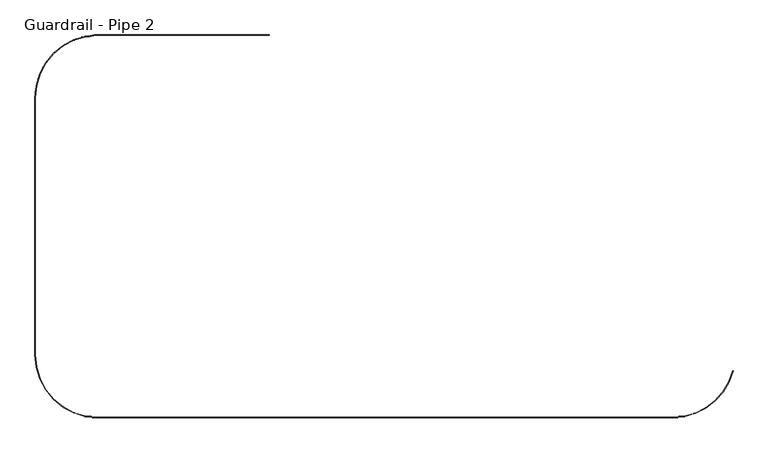
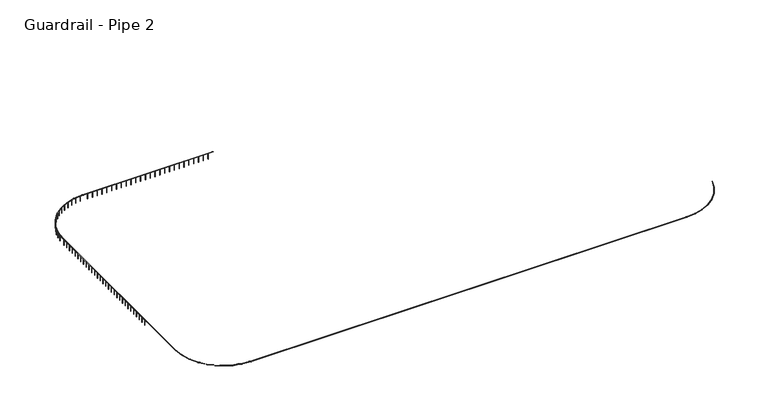
"""IFC4 building model written with IfcOpenShell, lengths in millimetres: railing geometry, Guardrail - Pipe 2."""

from ifc_helpers import new_model, si_unit, point, frame, frame_2d, origin, place, context, project, spatial, circle_curve, ellipse_curve, trimmed, segment, composite_curve, outline, extrude, source, transform, mapped, element, save
from ifc_brep_helpers import plane_surface, cylinder_surface, revolved_surface, advanced_brep


def guardrail_pipe_2_4063eb1f(model_context):
    return source(origin(), model_context, "Body", "SolidModel", [
        advanced_brep(
        [(650133.4254676, -290659.3580223, 5010.15), (655938.6904186, -286177.7852375, 5010.15), (655975.5492437, -286187.4308072, 5010.15), (650133.4254676, -290697.4580223, 5010.15), (588963.8754676, -284658.6080223, 5010.15), (594964.6254677, -290659.3580223, 5010.15), (594964.6254677, -290697.4580223, 5010.15), (588925.7754676, -284658.6080223, 5010.15), (588925.7754676, -259969.8080224, 5010.15), (588963.8754676, -259969.8080224, 5010.15), (594964.6254676, -253969.0580223, 5010.15), (594964.6254676, -253930.9580223, 5010.15), (611423.8254676, -253930.9580223, 5010.15), (611423.8254676, -253969.0580223, 5010.15)],
        [
            (0, 1, circle_curve(frame((650133.4254676, -284658.6080223, 5010.15), z_axis=(0.0, 0.0, 1.0), x_axis=(0.9674232305966814, -0.25316455696222584, 0.0)), 6000.75)),
            (1, 2, circle_curve(frame((655957.1198312, -286182.6080223, 5010.15), z_axis=(-0.25316455696222023, -0.9674232305966829, 0.0), x_axis=(-0.9674232305966829, 0.25316455696222023, 0.0)), 19.05)),
            (2, 3, circle_curve(frame((650133.4254676, -284658.6080223, 5010.15), z_axis=(0.0, 0.0, -1.0), x_axis=(0.9674232305966814, -0.25316455696222584, 0.0)), 6038.85)),
            (3, 0, circle_curve(frame((650133.4254676, -290678.4080223, 5010.15), z_axis=(1.0, 0.0, 0.0), x_axis=(0.0, 1.0, 0.0)), 19.05)),
            (2, 1, circle_curve(frame((655957.1198312, -286182.6080223, 5010.15), z_axis=(-0.25316455696222584, -0.9674232305966814, 0.0), x_axis=(-0.9674232305966814, 0.25316455696222584, 0.0)), 19.05)),
            (0, 3, circle_curve(frame((650133.4254676, -290678.4080223, 5010.15), z_axis=(1.0, 0.0, 0.0), x_axis=(0.0, 1.0, 0.0)), 19.05)),
            (4, 5, circle_curve(frame((594964.6254677, -284658.6080223, 5010.15), z_axis=(0.0, 0.0, 1.0), x_axis=(0.0, -1.0, 0.0)), 6000.75)),
            (5, 6, circle_curve(frame((594964.6254677, -290678.4080223, 5010.15), z_axis=(-1.0, 0.0, 0.0), x_axis=(0.0, 1.0, 0.0)), 19.05)),
            (6, 7, circle_curve(frame((594964.6254677, -284658.6080223, 5010.15), z_axis=(0.0, 0.0, -1.0), x_axis=(0.0, -1.0, 0.0)), 6038.85)),
            (7, 4, circle_curve(frame((588944.8254676, -284658.6080223, 5010.15), z_axis=(0.0, -1.0, 0.0), x_axis=(1.0, 0.0, 0.0)), 19.05)),
            (6, 5, circle_curve(frame((594964.6254677, -290678.4080223, 5010.15), z_axis=(-1.0, 0.0, 0.0), x_axis=(0.0, 1.0, 0.0)), 19.05)),
            (4, 7, circle_curve(frame((588944.8254676, -284658.6080223, 5010.15), z_axis=(0.0, -1.0, 0.0), x_axis=(1.0, 0.0, 0.0)), 19.05)),
            (7, 8),
            (8, 9, circle_curve(frame((588944.8254676, -259969.8080224, 5010.15), z_axis=(0.0, -1.0, 0.0), x_axis=(1.0, 0.0, 0.0)), 19.05)),
            (9, 4),
            (9, 8, circle_curve(frame((588944.8254676, -259969.8080224, 5010.15), z_axis=(0.0, -1.0, 0.0), x_axis=(1.0, 0.0, 0.0)), 19.05)),
            (10, 9, circle_curve(frame((594964.6254676, -259969.8080224, 5010.15), z_axis=(0.0, 0.0, 1.0), x_axis=(-1.0, 0.0, 0.0)), 6000.75)),
            (8, 11, circle_curve(frame((594964.6254676, -259969.8080224, 5010.15), z_axis=(0.0, 0.0, -1.0), x_axis=(-1.0, 0.0, 0.0)), 6038.85)),
            (11, 10, circle_curve(frame((594964.6254676, -253950.0080223, 5010.15), z_axis=(-1.0, 0.0, 0.0), x_axis=(0.0, -1.0, 0.0)), 19.05)),
            (10, 11, circle_curve(frame((594964.6254676, -253950.0080223, 5010.15), z_axis=(-1.0, 0.0, 0.0), x_axis=(0.0, -1.0, 0.0)), 19.05)),
            (12, 13, circle_curve(frame((611423.8254676, -253950.0080223, 5010.15), z_axis=(1.0, 0.0, 0.0), x_axis=(0.0, -1.0, 0.0)), 19.05)),
            (13, 12, circle_curve(frame((611423.8254676, -253950.0080223, 5010.15), z_axis=(1.0, 0.0, 0.0), x_axis=(0.0, -1.0, 0.0)), 19.05)),
            (11, 12),
            (13, 10),
            (3, 6),
            (5, 0),
        ],
        [
            revolved_surface(trimmed(ellipse_curve(frame((655957.1198312, -286182.6080223, 5010.15), z_axis=(0.25316455696222584, 0.9674232305966814, 0.0), x_axis=(-0.9674232305966814, 0.25316455696222584, 0.0)), 19.05, 19.05), [point((655975.5492437, -286187.4308072, 5010.15))], [point((655938.6904186, -286177.7852375, 5010.15))], True, "CARTESIAN"), (650133.4254676, -284658.6080223, 5029.2), (0.0, 0.0, -1.0)),
            revolved_surface(trimmed(ellipse_curve(frame((655957.1198312, -286182.6080223, 5010.15), z_axis=(0.25316455696222584, 0.9674232305966814, 0.0), x_axis=(-0.9674232305966814, 0.25316455696222584, 0.0)), 19.05, 19.05), [point((655938.6904186, -286177.7852375, 5010.15))], [point((655975.5492437, -286187.4308072, 5010.15))], True, "CARTESIAN"), (650133.4254676, -284658.6080223, 5029.2), (0.0, 0.0, -1.0)),
            revolved_surface(trimmed(ellipse_curve(frame((594964.6254677, -290678.4080223, 5010.15), z_axis=(1.0, 0.0, 0.0), x_axis=(0.0, 1.0, 0.0)), 19.05, 19.05), [point((594964.6254677, -290697.4580223, 5010.15))], [point((594964.6254677, -290659.3580223, 5010.15))], True, "CARTESIAN"), (594964.6254677, -284658.6080223, 5029.2), (0.0, 0.0, -1.0)),
            revolved_surface(trimmed(ellipse_curve(frame((594964.6254677, -290678.4080223, 5010.15), z_axis=(1.0, 0.0, 0.0), x_axis=(0.0, 1.0, 0.0)), 19.05, 19.05), [point((594964.6254677, -290659.3580223, 5010.15))], [point((594964.6254677, -290697.4580223, 5010.15))], True, "CARTESIAN"), (594964.6254677, -284658.6080223, 5029.2), (0.0, 0.0, -1.0)),
            cylinder_surface(frame((588944.8254676, -284658.6080223, 5010.15), z_axis=(0.0, -1.0, 0.0), x_axis=(1.0, 0.0, 0.0)), 19.05),
            revolved_surface(trimmed(ellipse_curve(frame((588944.8254676, -259969.8080224, 5010.15), z_axis=(0.0, -1.0, 0.0), x_axis=(1.0, 0.0, 0.0)), 19.05, 19.05), [point((588925.7754676, -259969.8080224, 5010.15))], [point((588963.8754676, -259969.8080224, 5010.15))], True, "CARTESIAN"), (594964.6254676, -259969.8080224, 5029.2), (0.0, 0.0, -1.0)),
            revolved_surface(trimmed(ellipse_curve(frame((588944.8254676, -259969.8080224, 5010.15), z_axis=(0.0, -1.0, 0.0), x_axis=(1.0, 0.0, 0.0)), 19.05, 19.05), [point((588963.8754676, -259969.8080224, 5010.15))], [point((588925.7754676, -259969.8080224, 5010.15))], True, "CARTESIAN"), (594964.6254676, -259969.8080224, 5029.2), (0.0, 0.0, -1.0)),
            plane_surface(frame((611423.8254676, -253950.0080223, 5029.2), z_axis=(1.0, 0.0, 0.0), x_axis=(0.0, 1.0, 0.0))),
            cylinder_surface(frame((594964.6254676, -253950.0080223, 5010.15), z_axis=(-1.0, 0.0, 0.0), x_axis=(0.0, -1.0, 0.0)), 19.05),
            cylinder_surface(frame((650133.4254676, -290678.4080223, 5010.15), z_axis=(1.0, 0.0, 0.0), x_axis=(0.0, 1.0, 0.0)), 19.05),
            plane_surface(frame((655957.1198312, -286182.6080223, 5029.2), z_axis=(0.25316455696222584, 0.9674232305966814, 0.0), x_axis=(0.9674232305966814, -0.25316455696222584, 0.0))),
        ],
        [
            (0, [[1, 2, 3, 4]]),
            (1, [[-3, 5, -1, 6]]),
            (2, [[7, 8, 9, 10]]),
            (3, [[-9, 11, -7, 12]]),
            (4, [[-10, 13, 14, 15]]),
            (4, [[-12, -15, 16, -13]]),
            (5, [[17, -14, 18, 19]]),
            (6, [[-18, -16, -17, 20]]),
            (7, [[21, 22]]),
            (8, [[-19, 23, -22, 24]]),
            (8, [[-20, -24, -21, -23]]),
            (9, [[-4, 25, -8, 26]]),
            (9, [[-6, -26, -11, -25]]),
            (10, [[-2, -5]]),
        ],
    ),
        extrude(outline(composite_curve([segment(trimmed(circle_curve(frame_2d((610814.2254676, -253950.0080223)), 12.7), [point((610814.2254676, -253937.3080223))], [point((610814.2254676, -253962.7080223))], False, "CARTESIAN"), True, "CONTINUOUS"), segment(trimmed(circle_curve(frame_2d((610814.2254676, -253950.0080223)), 12.7), [point((610814.2254676, -253962.7080223))], [point((610814.2254676, -253937.3080223))], False, "CARTESIAN"), True, "CONTINUOUS")], self_intersect=False)), frame((0.0, 0.0, 4267.2), z_axis=(0.0, 0.0, 1.0), x_axis=(1.0, 0.0, 0.0)), (0.0, 0.0, 1.0), 723.9),
        extrude(outline(composite_curve([segment(trimmed(circle_curve(frame_2d((610204.6254676, -253950.0080223)), 12.7), [point((610204.6254676, -253937.3080223))], [point((610204.6254676, -253962.7080223))], False, "CARTESIAN"), True, "CONTINUOUS"), segment(trimmed(circle_curve(frame_2d((610204.6254676, -253950.0080223)), 12.7), [point((610204.6254676, -253962.7080223))], [point((610204.6254676, -253937.3080223))], False, "CARTESIAN"), True, "CONTINUOUS")], self_intersect=False)), frame((0.0, 0.0, 4267.2), z_axis=(0.0, 0.0, 1.0), x_axis=(1.0, 0.0, 0.0)), (0.0, 0.0, 1.0), 723.9),
        extrude(outline(composite_curve([segment(trimmed(circle_curve(frame_2d((609595.0254676, -253950.0080223)), 12.7), [point((609595.0254676, -253937.3080223))], [point((609595.0254676, -253962.7080223))], False, "CARTESIAN"), True, "CONTINUOUS"), segment(trimmed(circle_curve(frame_2d((609595.0254676, -253950.0080223)), 12.7), [point((609595.0254676, -253962.7080223))], [point((609595.0254676, -253937.3080223))], False, "CARTESIAN"), True, "CONTINUOUS")], self_intersect=False)), frame((0.0, 0.0, 4267.2), z_axis=(0.0, 0.0, 1.0), x_axis=(1.0, 0.0, 0.0)), (0.0, 0.0, 1.0), 723.9),
        extrude(outline(composite_curve([segment(trimmed(circle_curve(frame_2d((608985.4254676, -253950.0080223)), 12.7), [point((608985.4254676, -253937.3080223))], [point((608985.4254676, -253962.7080223))], False, "CARTESIAN"), True, "CONTINUOUS"), segment(trimmed(circle_curve(frame_2d((608985.4254676, -253950.0080223)), 12.7), [point((608985.4254676, -253962.7080223))], [point((608985.4254676, -253937.3080223))], False, "CARTESIAN"), True, "CONTINUOUS")], self_intersect=False)), frame((0.0, 0.0, 4267.2), z_axis=(0.0, 0.0, 1.0), x_axis=(1.0, 0.0, 0.0)), (0.0, 0.0, 1.0), 723.9),
        extrude(outline(composite_curve([segment(trimmed(circle_curve(frame_2d((608375.8254676, -253950.0080223)), 12.7), [point((608375.8254676, -253937.3080223))], [point((608375.8254676, -253962.7080223))], False, "CARTESIAN"), True, "CONTINUOUS"), segment(trimmed(circle_curve(frame_2d((608375.8254676, -253950.0080223)), 12.7), [point((608375.8254676, -253962.7080223))], [point((608375.8254676, -253937.3080223))], False, "CARTESIAN"), True, "CONTINUOUS")], self_intersect=False)), frame((0.0, 0.0, 4267.2), z_axis=(0.0, 0.0, 1.0), x_axis=(1.0, 0.0, 0.0)), (0.0, 0.0, 1.0), 723.9),
        extrude(outline(composite_curve([segment(trimmed(circle_curve(frame_2d((607766.2254676, -253950.0080223)), 12.7), [point((607766.2254676, -253937.3080223))], [point((607766.2254676, -253962.7080223))], False, "CARTESIAN"), True, "CONTINUOUS"), segment(trimmed(circle_curve(frame_2d((607766.2254676, -253950.0080223)), 12.7), [point((607766.2254676, -253962.7080223))], [point((607766.2254676, -253937.3080223))], False, "CARTESIAN"), True, "CONTINUOUS")], self_intersect=False)), frame((0.0, 0.0, 4267.2), z_axis=(0.0, 0.0, 1.0), x_axis=(1.0, 0.0, 0.0)), (0.0, 0.0, 1.0), 723.9),
        extrude(outline(composite_curve([segment(trimmed(circle_curve(frame_2d((607156.6254676, -253950.0080223)), 12.7), [point((607156.6254676, -253937.3080223))], [point((607156.6254676, -253962.7080223))], False, "CARTESIAN"), True, "CONTINUOUS"), segment(trimmed(circle_curve(frame_2d((607156.6254676, -253950.0080223)), 12.7), [point((607156.6254676, -253962.7080223))], [point((607156.6254676, -253937.3080223))], False, "CARTESIAN"), True, "CONTINUOUS")], self_intersect=False)), frame((0.0, 0.0, 4267.2), z_axis=(0.0, 0.0, 1.0), x_axis=(1.0, 0.0, 0.0)), (0.0, 0.0, 1.0), 723.9),
        extrude(outline(composite_curve([segment(trimmed(circle_curve(frame_2d((606547.0254676, -253950.0080223)), 12.7), [point((606547.0254676, -253937.3080223))], [point((606547.0254676, -253962.7080223))], False, "CARTESIAN"), True, "CONTINUOUS"), segment(trimmed(circle_curve(frame_2d((606547.0254676, -253950.0080223)), 12.7), [point((606547.0254676, -253962.7080223))], [point((606547.0254676, -253937.3080223))], False, "CARTESIAN"), True, "CONTINUOUS")], self_intersect=False)), frame((0.0, 0.0, 4267.2), z_axis=(0.0, 0.0, 1.0), x_axis=(1.0, 0.0, 0.0)), (0.0, 0.0, 1.0), 723.9),
        extrude(outline(composite_curve([segment(trimmed(circle_curve(frame_2d((605937.4254676, -253950.0080223)), 12.7), [point((605937.4254676, -253937.3080223))], [point((605937.4254676, -253962.7080223))], False, "CARTESIAN"), True, "CONTINUOUS"), segment(trimmed(circle_curve(frame_2d((605937.4254676, -253950.0080223)), 12.7), [point((605937.4254676, -253962.7080223))], [point((605937.4254676, -253937.3080223))], False, "CARTESIAN"), True, "CONTINUOUS")], self_intersect=False)), frame((0.0, 0.0, 4267.2), z_axis=(0.0, 0.0, 1.0), x_axis=(1.0, 0.0, 0.0)), (0.0, 0.0, 1.0), 723.9),
        extrude(outline(composite_curve([segment(trimmed(circle_curve(frame_2d((605327.8254676, -253950.0080223)), 12.7), [point((605327.8254676, -253937.3080223))], [point((605327.8254676, -253962.7080223))], False, "CARTESIAN"), True, "CONTINUOUS"), segment(trimmed(circle_curve(frame_2d((605327.8254676, -253950.0080223)), 12.7), [point((605327.8254676, -253962.7080223))], [point((605327.8254676, -253937.3080223))], False, "CARTESIAN"), True, "CONTINUOUS")], self_intersect=False)), frame((0.0, 0.0, 4267.2), z_axis=(0.0, 0.0, 1.0), x_axis=(1.0, 0.0, 0.0)), (0.0, 0.0, 1.0), 723.9),
        extrude(outline(composite_curve([segment(trimmed(circle_curve(frame_2d((604718.2254676, -253950.0080223)), 12.7), [point((604718.2254676, -253937.3080223))], [point((604718.2254676, -253962.7080223))], False, "CARTESIAN"), True, "CONTINUOUS"), segment(trimmed(circle_curve(frame_2d((604718.2254676, -253950.0080223)), 12.7), [point((604718.2254676, -253962.7080223))], [point((604718.2254676, -253937.3080223))], False, "CARTESIAN"), True, "CONTINUOUS")], self_intersect=False)), frame((0.0, 0.0, 4267.2), z_axis=(0.0, 0.0, 1.0), x_axis=(1.0, 0.0, 0.0)), (0.0, 0.0, 1.0), 723.9),
        extrude(outline(composite_curve([segment(trimmed(circle_curve(frame_2d((604108.6254676, -253950.0080223)), 12.7), [point((604108.6254676, -253937.3080223))], [point((604108.6254676, -253962.7080223))], False, "CARTESIAN"), True, "CONTINUOUS"), segment(trimmed(circle_curve(frame_2d((604108.6254676, -253950.0080223)), 12.7), [point((604108.6254676, -253962.7080223))], [point((604108.6254676, -253937.3080223))], False, "CARTESIAN"), True, "CONTINUOUS")], self_intersect=False)), frame((0.0, 0.0, 4267.2), z_axis=(0.0, 0.0, 1.0), x_axis=(1.0, 0.0, 0.0)), (0.0, 0.0, 1.0), 723.9),
        extrude(outline(composite_curve([segment(trimmed(circle_curve(frame_2d((603499.0254676, -253950.0080223)), 12.7), [point((603499.0254676, -253937.3080223))], [point((603499.0254676, -253962.7080223))], False, "CARTESIAN"), True, "CONTINUOUS"), segment(trimmed(circle_curve(frame_2d((603499.0254676, -253950.0080223)), 12.7), [point((603499.0254676, -253962.7080223))], [point((603499.0254676, -253937.3080223))], False, "CARTESIAN"), True, "CONTINUOUS")], self_intersect=False)), frame((0.0, 0.0, 4267.2), z_axis=(0.0, 0.0, 1.0), x_axis=(1.0, 0.0, 0.0)), (0.0, 0.0, 1.0), 723.9),
        extrude(outline(composite_curve([segment(trimmed(circle_curve(frame_2d((602889.4254676, -253950.0080223)), 12.7), [point((602889.4254676, -253937.3080223))], [point((602889.4254676, -253962.7080223))], False, "CARTESIAN"), True, "CONTINUOUS"), segment(trimmed(circle_curve(frame_2d((602889.4254676, -253950.0080223)), 12.7), [point((602889.4254676, -253962.7080223))], [point((602889.4254676, -253937.3080223))], False, "CARTESIAN"), True, "CONTINUOUS")], self_intersect=False)), frame((0.0, 0.0, 4267.2), z_axis=(0.0, 0.0, 1.0), x_axis=(1.0, 0.0, 0.0)), (0.0, 0.0, 1.0), 723.9),
        extrude(outline(composite_curve([segment(trimmed(circle_curve(frame_2d((602279.8254676, -253950.0080223)), 12.7), [point((602279.8254676, -253937.3080223))], [point((602279.8254676, -253962.7080223))], False, "CARTESIAN"), True, "CONTINUOUS"), segment(trimmed(circle_curve(frame_2d((602279.8254676, -253950.0080223)), 12.7), [point((602279.8254676, -253962.7080223))], [point((602279.8254676, -253937.3080223))], False, "CARTESIAN"), True, "CONTINUOUS")], self_intersect=False)), frame((0.0, 0.0, 4267.2), z_axis=(0.0, 0.0, 1.0), x_axis=(1.0, 0.0, 0.0)), (0.0, 0.0, 1.0), 723.9),
        extrude(outline(composite_curve([segment(trimmed(circle_curve(frame_2d((601670.2254676, -253950.0080223)), 12.7), [point((601670.2254676, -253937.3080223))], [point((601670.2254676, -253962.7080223))], False, "CARTESIAN"), True, "CONTINUOUS"), segment(trimmed(circle_curve(frame_2d((601670.2254676, -253950.0080223)), 12.7), [point((601670.2254676, -253962.7080223))], [point((601670.2254676, -253937.3080223))], False, "CARTESIAN"), True, "CONTINUOUS")], self_intersect=False)), frame((0.0, 0.0, 4267.2), z_axis=(0.0, 0.0, 1.0), x_axis=(1.0, 0.0, 0.0)), (0.0, 0.0, 1.0), 723.9),
        extrude(outline(composite_curve([segment(trimmed(circle_curve(frame_2d((601060.6254676, -253950.0080223)), 12.7), [point((601060.6254676, -253937.3080223))], [point((601060.6254676, -253962.7080223))], False, "CARTESIAN"), True, "CONTINUOUS"), segment(trimmed(circle_curve(frame_2d((601060.6254676, -253950.0080223)), 12.7), [point((601060.6254676, -253962.7080223))], [point((601060.6254676, -253937.3080223))], False, "CARTESIAN"), True, "CONTINUOUS")], self_intersect=False)), frame((0.0, 0.0, 4267.2), z_axis=(0.0, 0.0, 1.0), x_axis=(1.0, 0.0, 0.0)), (0.0, 0.0, 1.0), 723.9),
        extrude(outline(composite_curve([segment(trimmed(circle_curve(frame_2d((600451.0254676, -253950.0080223)), 12.7), [point((600451.0254676, -253937.3080223))], [point((600451.0254676, -253962.7080223))], False, "CARTESIAN"), True, "CONTINUOUS"), segment(trimmed(circle_curve(frame_2d((600451.0254676, -253950.0080223)), 12.7), [point((600451.0254676, -253962.7080223))], [point((600451.0254676, -253937.3080223))], False, "CARTESIAN"), True, "CONTINUOUS")], self_intersect=False)), frame((0.0, 0.0, 4267.2), z_axis=(0.0, 0.0, 1.0), x_axis=(1.0, 0.0, 0.0)), (0.0, 0.0, 1.0), 723.9),
        extrude(outline(composite_curve([segment(trimmed(circle_curve(frame_2d((599841.4254676, -253950.0080223)), 12.7), [point((599841.4254676, -253937.3080223))], [point((599841.4254676, -253962.7080223))], False, "CARTESIAN"), True, "CONTINUOUS"), segment(trimmed(circle_curve(frame_2d((599841.4254676, -253950.0080223)), 12.7), [point((599841.4254676, -253962.7080223))], [point((599841.4254676, -253937.3080223))], False, "CARTESIAN"), True, "CONTINUOUS")], self_intersect=False)), frame((0.0, 0.0, 4267.2), z_axis=(0.0, 0.0, 1.0), x_axis=(1.0, 0.0, 0.0)), (0.0, 0.0, 1.0), 723.9),
        extrude(outline(composite_curve([segment(trimmed(circle_curve(frame_2d((599231.8254676, -253950.0080223)), 12.7), [point((599231.8254676, -253937.3080223))], [point((599231.8254676, -253962.7080223))], False, "CARTESIAN"), True, "CONTINUOUS"), segment(trimmed(circle_curve(frame_2d((599231.8254676, -253950.0080223)), 12.7), [point((599231.8254676, -253962.7080223))], [point((599231.8254676, -253937.3080223))], False, "CARTESIAN"), True, "CONTINUOUS")], self_intersect=False)), frame((0.0, 0.0, 4267.2), z_axis=(0.0, 0.0, 1.0), x_axis=(1.0, 0.0, 0.0)), (0.0, 0.0, 1.0), 723.9),
        extrude(outline(composite_curve([segment(trimmed(circle_curve(frame_2d((598622.2254676, -253950.0080223)), 12.7), [point((598622.2254676, -253937.3080223))], [point((598622.2254676, -253962.7080223))], False, "CARTESIAN"), True, "CONTINUOUS"), segment(trimmed(circle_curve(frame_2d((598622.2254676, -253950.0080223)), 12.7), [point((598622.2254676, -253962.7080223))], [point((598622.2254676, -253937.3080223))], False, "CARTESIAN"), True, "CONTINUOUS")], self_intersect=False)), frame((0.0, 0.0, 4267.2), z_axis=(0.0, 0.0, 1.0), x_axis=(1.0, 0.0, 0.0)), (0.0, 0.0, 1.0), 723.9),
        extrude(outline(composite_curve([segment(trimmed(circle_curve(frame_2d((598012.6254676, -253950.0080223)), 12.7), [point((598012.6254676, -253937.3080223))], [point((598012.6254676, -253962.7080223))], False, "CARTESIAN"), True, "CONTINUOUS"), segment(trimmed(circle_curve(frame_2d((598012.6254676, -253950.0080223)), 12.7), [point((598012.6254676, -253962.7080223))], [point((598012.6254676, -253937.3080223))], False, "CARTESIAN"), True, "CONTINUOUS")], self_intersect=False)), frame((0.0, 0.0, 4267.2), z_axis=(0.0, 0.0, 1.0), x_axis=(1.0, 0.0, 0.0)), (0.0, 0.0, 1.0), 723.9),
        extrude(outline(composite_curve([segment(trimmed(circle_curve(frame_2d((597403.0254676, -253950.0080223)), 12.7), [point((597403.0254676, -253937.3080223))], [point((597403.0254676, -253962.7080223))], False, "CARTESIAN"), True, "CONTINUOUS"), segment(trimmed(circle_curve(frame_2d((597403.0254676, -253950.0080223)), 12.7), [point((597403.0254676, -253962.7080223))], [point((597403.0254676, -253937.3080223))], False, "CARTESIAN"), True, "CONTINUOUS")], self_intersect=False)), frame((0.0, 0.0, 4267.2), z_axis=(0.0, 0.0, 1.0), x_axis=(1.0, 0.0, 0.0)), (0.0, 0.0, 1.0), 723.9),
        extrude(outline(composite_curve([segment(trimmed(circle_curve(frame_2d((596793.4254676, -253950.0080223)), 12.7), [point((596793.4254676, -253937.3080223))], [point((596793.4254676, -253962.7080223))], False, "CARTESIAN"), True, "CONTINUOUS"), segment(trimmed(circle_curve(frame_2d((596793.4254676, -253950.0080223)), 12.7), [point((596793.4254676, -253962.7080223))], [point((596793.4254676, -253937.3080223))], False, "CARTESIAN"), True, "CONTINUOUS")], self_intersect=False)), frame((0.0, 0.0, 4267.2), z_axis=(0.0, 0.0, 1.0), x_axis=(1.0, 0.0, 0.0)), (0.0, 0.0, 1.0), 723.9),
        extrude(outline(composite_curve([segment(trimmed(circle_curve(frame_2d((596183.8254676, -253950.0080223)), 12.7), [point((596183.8254676, -253937.3080223))], [point((596183.8254676, -253962.7080223))], False, "CARTESIAN"), True, "CONTINUOUS"), segment(trimmed(circle_curve(frame_2d((596183.8254676, -253950.0080223)), 12.7), [point((596183.8254676, -253962.7080223))], [point((596183.8254676, -253937.3080223))], False, "CARTESIAN"), True, "CONTINUOUS")], self_intersect=False)), frame((0.0, 0.0, 4267.2), z_axis=(0.0, 0.0, 1.0), x_axis=(1.0, 0.0, 0.0)), (0.0, 0.0, 1.0), 723.9),
        extrude(outline(composite_curve([segment(trimmed(circle_curve(frame_2d((595574.2254676, -253950.0080223)), 12.7), [point((595574.2254676, -253937.3080223))], [point((595574.2254676, -253962.7080223))], False, "CARTESIAN"), True, "CONTINUOUS"), segment(trimmed(circle_curve(frame_2d((595574.2254676, -253950.0080223)), 12.7), [point((595574.2254676, -253962.7080223))], [point((595574.2254676, -253937.3080223))], False, "CARTESIAN"), True, "CONTINUOUS")], self_intersect=False)), frame((0.0, 0.0, 4267.2), z_axis=(0.0, 0.0, 1.0), x_axis=(1.0, 0.0, 0.0)), (0.0, 0.0, 1.0), 723.9),
        extrude(outline(composite_curve([segment(trimmed(circle_curve(frame_2d((594652.8852439, -253958.0853014)), 12.7), [point((594652.2275641, -253945.4023421))], [point((594653.5429237, -253970.7682608))], False, "CARTESIAN"), True, "CONTINUOUS"), segment(trimmed(circle_curve(frame_2d((594652.8852439, -253958.0853014)), 12.7), [point((594653.5429237, -253970.7682608))], [point((594652.2275641, -253945.4023421))], False, "CARTESIAN"), True, "CONTINUOUS")], self_intersect=False)), frame((0.0, 0.0, 4267.2), z_axis=(0.0, 0.0, 1.0), x_axis=(1.0, 0.0, 0.0)), (0.0, 0.0, 1.0), 723.9),
        extrude(outline(composite_curve([segment(trimmed(circle_curve(frame_2d((594046.7401954, -254020.3980796)), 12.7), [point((594044.8037286, -254007.8465818))], [point((594048.6766622, -254032.9495774))], False, "CARTESIAN"), True, "CONTINUOUS"), segment(trimmed(circle_curve(frame_2d((594046.7401954, -254020.3980796)), 12.7), [point((594048.6766622, -254032.9495774))], [point((594044.8037286, -254007.8465818))], False, "CARTESIAN"), True, "CONTINUOUS")], self_intersect=False)), frame((0.0, 0.0, 4267.2), z_axis=(0.0, 0.0, 1.0), x_axis=(1.0, 0.0, 0.0)), (0.0, 0.0, 1.0), 723.9),
        extrude(outline(composite_curve([segment(trimmed(circle_curve(frame_2d((593449.9998053, -254143.6685507)), 12.7), [point((593446.8043925, -254131.3771172))], [point((593453.1952181, -254155.9599842))], False, "CARTESIAN"), True, "CONTINUOUS"), segment(trimmed(circle_curve(frame_2d((593449.9998053, -254143.6685507)), 12.7), [point((593453.1952181, -254155.9599842))], [point((593446.8043925, -254131.3771172))], False, "CARTESIAN"), True, "CONTINUOUS")], self_intersect=False)), frame((0.0, 0.0, 4267.2), z_axis=(0.0, 0.0, 1.0), x_axis=(1.0, 0.0, 0.0)), (0.0, 0.0, 1.0), 723.9),
        extrude(outline(composite_curve([segment(trimmed(circle_curve(frame_2d((592868.7782796, -254326.6336847)), 12.7), [point((592864.3566611, -254314.7282537))], [point((592873.1998982, -254338.5391158))], False, "CARTESIAN"), True, "CONTINUOUS"), segment(trimmed(circle_curve(frame_2d((592868.7782796, -254326.6336847)), 12.7), [point((592873.1998982, -254338.5391158))], [point((592864.3566611, -254314.7282537))], False, "CARTESIAN"), True, "CONTINUOUS")], self_intersect=False)), frame((0.0, 0.0, 4267.2), z_axis=(0.0, 0.0, 1.0), x_axis=(1.0, 0.0, 0.0)), (0.0, 0.0, 1.0), 723.9),
        extrude(outline(composite_curve([segment(trimmed(circle_curve(frame_2d((592309.0308179, -254567.4188198)), 12.7), [point((592303.4282975, -254556.0213742))], [point((592314.6333382, -254578.8162653))], False, "CARTESIAN"), True, "CONTINUOUS"), segment(trimmed(circle_curve(frame_2d((592309.0308179, -254567.4188198)), 12.7), [point((592314.6333382, -254578.8162653))], [point((592303.4282975, -254556.0213742))], False, "CARTESIAN"), True, "CONTINUOUS")], self_intersect=False)), frame((0.0, 0.0, 4267.2), z_axis=(0.0, 0.0, 1.0), x_axis=(1.0, 0.0, 0.0)), (0.0, 0.0, 1.0), 723.9),
        extrude(outline(composite_curve([segment(trimmed(circle_curve(frame_2d((591776.4925962, -254863.5568697)), 12.7), [point((591769.7665774, -254852.7841879))], [point((591783.2186149, -254874.3295515))], False, "CARTESIAN"), True, "CONTINUOUS"), segment(trimmed(circle_curve(frame_2d((591776.4925962, -254863.5568697)), 12.7), [point((591783.2186149, -254874.3295515))], [point((591769.7665774, -254852.7841879))], False, "CARTESIAN"), True, "CONTINUOUS")], self_intersect=False)), frame((0.0, 0.0, 4267.2), z_axis=(0.0, 0.0, 1.0), x_axis=(1.0, 0.0, 0.0)), (0.0, 0.0, 1.0), 723.9),
        extrude(outline(composite_curve([segment(trimmed(circle_curve(frame_2d((591276.6200046, -255212.0136022)), 12.7), [point((591268.8394024, -255201.9760612))], [point((591284.4006068, -255222.0511431))], False, "CARTESIAN"), True, "CONTINUOUS"), segment(trimmed(circle_curve(frame_2d((591276.6200046, -255212.0136022)), 12.7), [point((591284.4006068, -255222.0511431))], [point((591268.8394024, -255201.9760612))], False, "CARTESIAN"), True, "CONTINUOUS")], self_intersect=False)), frame((0.0, 0.0, 4267.2), z_axis=(0.0, 0.0, 1.0), x_axis=(1.0, 0.0, 0.0)), (0.0, 0.0, 1.0), 723.9),
        extrude(outline(composite_curve([segment(trimmed(circle_curve(frame_2d((590814.534741, -255609.2187272)), 12.7), [point((590805.7792753, -255600.0191717))], [point((590823.2902067, -255618.4182827))], False, "CARTESIAN"), True, "CONTINUOUS"), segment(trimmed(circle_curve(frame_2d((590814.534741, -255609.2187272)), 12.7), [point((590823.2902067, -255618.4182827))], [point((590805.7792753, -255600.0191717))], False, "CARTESIAN"), True, "CONTINUOUS")], self_intersect=False)), frame((0.0, 0.0, 4267.2), z_axis=(0.0, 0.0, 1.0), x_axis=(1.0, 0.0, 0.0)), (0.0, 0.0, 1.0), 723.9),
        extrude(outline(composite_curve([segment(trimmed(circle_curve(frame_2d((590394.971334, -256051.1024785)), 12.7), [point((590385.3307135, -256042.8351673))], [point((590404.6119545, -256059.3697898))], False, "CARTESIAN"), True, "CONTINUOUS"), segment(trimmed(circle_curve(frame_2d((590394.971334, -256051.1024785)), 12.7), [point((590404.6119545, -256059.3697898))], [point((590385.3307135, -256042.8351673))], False, "CARTESIAN"), True, "CONTINUOUS")], self_intersect=False)), frame((0.0, 0.0, 4267.2), z_axis=(0.0, 0.0, 1.0), x_axis=(1.0, 0.0, 0.0)), (0.0, 0.0, 1.0), 723.9),
        extrude(outline(composite_curve([segment(trimmed(circle_curve(frame_2d((590022.228633, -256533.1373124)), 12.7), [point((590011.8016354, -256525.8869522))], [point((590032.6556305, -256540.3876725))], False, "CARTESIAN"), True, "CONTINUOUS"), segment(trimmed(circle_curve(frame_2d((590022.228633, -256533.1373124)), 12.7), [point((590032.6556305, -256540.3876725))], [point((590011.8016354, -256525.8869522))], False, "CARTESIAN"), True, "CONTINUOUS")], self_intersect=False)), frame((0.0, 0.0, 4267.2), z_axis=(0.0, 0.0, 1.0), x_axis=(1.0, 0.0, 0.0)), (0.0, 0.0, 1.0), 723.9),
        extrude(outline(composite_curve([segment(trimmed(circle_curve(frame_2d((589700.1257621, -257050.3842967)), 12.7), [point((589689.0192226, -257044.2251749))], [point((589711.2323015, -257056.5434184))], False, "CARTESIAN"), True, "CONTINUOUS"), segment(trimmed(circle_curve(frame_2d((589700.1257621, -257050.3842967)), 12.7), [point((589711.2323015, -257056.5434184))], [point((589689.0192226, -257044.2251749))], False, "CARTESIAN"), True, "CONTINUOUS")], self_intersect=False)), frame((0.0, 0.0, 4267.2), z_axis=(0.0, 0.0, 1.0), x_axis=(1.0, 0.0, 0.0)), (0.0, 0.0, 1.0), 723.9),
        extrude(outline(composite_curve([segment(trimmed(circle_curve(frame_2d((589431.9629894, -257597.5437154)), 12.7), [point((589420.2907057, -257592.5389384))], [point((589443.6352731, -257602.5484924))], False, "CARTESIAN"), True, "CONTINUOUS"), segment(trimmed(circle_curve(frame_2d((589431.9629894, -257597.5437154)), 12.7), [point((589443.6352731, -257602.5484924))], [point((589420.2907057, -257592.5389384))], False, "CARTESIAN"), True, "CONTINUOUS")], self_intersect=False)), frame((0.0, 0.0, 4267.2), z_axis=(0.0, 0.0, 1.0), x_axis=(1.0, 0.0, 0.0)), (0.0, 0.0, 1.0), 723.9),
        extrude(outline(composite_curve([segment(trimmed(circle_curve(frame_2d((589220.4879124, -258169.0093697)), 12.7), [point((589208.3694788, -258165.2102164))], [point((589232.6063461, -258172.808523))], False, "CARTESIAN"), True, "CONTINUOUS"), segment(trimmed(circle_curve(frame_2d((589220.4879124, -258169.0093697)), 12.7), [point((589232.6063461, -258172.808523))], [point((589208.3694788, -258165.2102164))], False, "CARTESIAN"), True, "CONTINUOUS")], self_intersect=False)), frame((0.0, 0.0, 4267.2), z_axis=(0.0, 0.0, 1.0), x_axis=(1.0, 0.0, 0.0)), (0.0, 0.0, 1.0), 723.9),
        extrude(outline(composite_curve([segment(trimmed(circle_curve(frame_2d((589067.8673063, -258758.9260187)), 12.7), [point((589055.4268882, -258756.3714153))], [point((589080.3077243, -258761.4806221))], False, "CARTESIAN"), True, "CONTINUOUS"), segment(trimmed(circle_curve(frame_2d((589067.8673063, -258758.9260187)), 12.7), [point((589080.3077243, -258761.4806221))], [point((589055.4268882, -258756.3714153))], False, "CARTESIAN"), True, "CONTINUOUS")], self_intersect=False)), frame((0.0, 0.0, 4267.2), z_axis=(0.0, 0.0, 1.0), x_axis=(1.0, 0.0, 0.0)), (0.0, 0.0, 1.0), 723.9),
        extrude(outline(composite_curve([segment(trimmed(circle_curve(frame_2d((588975.6649226, -259361.2493726)), 12.7), [point((588963.0299847, -259359.9654936))], [point((588988.2998605, -259362.5332516))], False, "CARTESIAN"), True, "CONTINUOUS"), segment(trimmed(circle_curve(frame_2d((588975.6649226, -259361.2493726)), 12.7), [point((588988.2998605, -259362.5332516))], [point((588963.0299847, -259359.9654936))], False, "CARTESIAN"), True, "CONTINUOUS")], self_intersect=False)), frame((0.0, 0.0, 4267.2), z_axis=(0.0, 0.0, 1.0), x_axis=(1.0, 0.0, 0.0)), (0.0, 0.0, 1.0), 723.9),
        extrude(outline(composite_curve([segment(trimmed(circle_curve(frame_2d((588944.8254676, -260274.6080223)), 12.7), [point((588932.1254676, -260274.6080223))], [point((588957.5254676, -260274.6080223))], False, "CARTESIAN"), True, "CONTINUOUS"), segment(trimmed(circle_curve(frame_2d((588944.8254676, -260274.6080223)), 12.7), [point((588957.5254676, -260274.6080223))], [point((588932.1254676, -260274.6080223))], False, "CARTESIAN"), True, "CONTINUOUS")], self_intersect=False)), frame((0.0, 0.0, 4267.2), z_axis=(0.0, 0.0, 1.0), x_axis=(1.0, 0.0, 0.0)), (0.0, 0.0, 1.0), 723.9),
        extrude(outline(composite_curve([segment(trimmed(circle_curve(frame_2d((588944.8254676, -260884.2080223)), 12.7), [point((588932.1254676, -260884.2080223))], [point((588957.5254676, -260884.2080223))], False, "CARTESIAN"), True, "CONTINUOUS"), segment(trimmed(circle_curve(frame_2d((588944.8254676, -260884.2080223)), 12.7), [point((588957.5254676, -260884.2080223))], [point((588932.1254676, -260884.2080223))], False, "CARTESIAN"), True, "CONTINUOUS")], self_intersect=False)), frame((0.0, 0.0, 4267.2), z_axis=(0.0, 0.0, 1.0), x_axis=(1.0, 0.0, 0.0)), (0.0, 0.0, 1.0), 723.9),
        extrude(outline(composite_curve([segment(trimmed(circle_curve(frame_2d((588944.8254676, -261493.8080223)), 12.7), [point((588932.1254676, -261493.8080223))], [point((588957.5254676, -261493.8080223))], False, "CARTESIAN"), True, "CONTINUOUS"), segment(trimmed(circle_curve(frame_2d((588944.8254676, -261493.8080223)), 12.7), [point((588957.5254676, -261493.8080223))], [point((588932.1254676, -261493.8080223))], False, "CARTESIAN"), True, "CONTINUOUS")], self_intersect=False)), frame((0.0, 0.0, 4267.2), z_axis=(0.0, 0.0, 1.0), x_axis=(1.0, 0.0, 0.0)), (0.0, 0.0, 1.0), 723.9),
        extrude(outline(composite_curve([segment(trimmed(circle_curve(frame_2d((588944.8254676, -262103.4080223)), 12.7), [point((588932.1254676, -262103.4080223))], [point((588957.5254676, -262103.4080223))], False, "CARTESIAN"), True, "CONTINUOUS"), segment(trimmed(circle_curve(frame_2d((588944.8254676, -262103.4080223)), 12.7), [point((588957.5254676, -262103.4080223))], [point((588932.1254676, -262103.4080223))], False, "CARTESIAN"), True, "CONTINUOUS")], self_intersect=False)), frame((0.0, 0.0, 4267.2), z_axis=(0.0, 0.0, 1.0), x_axis=(1.0, 0.0, 0.0)), (0.0, 0.0, 1.0), 723.9),
        extrude(outline(composite_curve([segment(trimmed(circle_curve(frame_2d((588944.8254676, -262713.0080223)), 12.7), [point((588932.1254676, -262713.0080223))], [point((588957.5254676, -262713.0080223))], False, "CARTESIAN"), True, "CONTINUOUS"), segment(trimmed(circle_curve(frame_2d((588944.8254676, -262713.0080223)), 12.7), [point((588957.5254676, -262713.0080223))], [point((588932.1254676, -262713.0080223))], False, "CARTESIAN"), True, "CONTINUOUS")], self_intersect=False)), frame((0.0, 0.0, 4267.2), z_axis=(0.0, 0.0, 1.0), x_axis=(1.0, 0.0, 0.0)), (0.0, 0.0, 1.0), 723.9),
        extrude(outline(composite_curve([segment(trimmed(circle_curve(frame_2d((588944.8254676, -263322.6080223)), 12.7), [point((588932.1254676, -263322.6080223))], [point((588957.5254676, -263322.6080223))], False, "CARTESIAN"), True, "CONTINUOUS"), segment(trimmed(circle_curve(frame_2d((588944.8254676, -263322.6080223)), 12.7), [point((588957.5254676, -263322.6080223))], [point((588932.1254676, -263322.6080223))], False, "CARTESIAN"), True, "CONTINUOUS")], self_intersect=False)), frame((0.0, 0.0, 4267.2), z_axis=(0.0, 0.0, 1.0), x_axis=(1.0, 0.0, 0.0)), (0.0, 0.0, 1.0), 723.9),
        extrude(outline(composite_curve([segment(trimmed(circle_curve(frame_2d((588944.8254676, -263932.2080223)), 12.7), [point((588932.1254676, -263932.2080223))], [point((588957.5254676, -263932.2080223))], False, "CARTESIAN"), True, "CONTINUOUS"), segment(trimmed(circle_curve(frame_2d((588944.8254676, -263932.2080223)), 12.7), [point((588957.5254676, -263932.2080223))], [point((588932.1254676, -263932.2080223))], False, "CARTESIAN"), True, "CONTINUOUS")], self_intersect=False)), frame((0.0, 0.0, 4267.2), z_axis=(0.0, 0.0, 1.0), x_axis=(1.0, 0.0, 0.0)), (0.0, 0.0, 1.0), 723.9),
        extrude(outline(composite_curve([segment(trimmed(circle_curve(frame_2d((588944.8254676, -264541.8080223)), 12.7), [point((588932.1254676, -264541.8080223))], [point((588957.5254676, -264541.8080223))], False, "CARTESIAN"), True, "CONTINUOUS"), segment(trimmed(circle_curve(frame_2d((588944.8254676, -264541.8080223)), 12.7), [point((588957.5254676, -264541.8080223))], [point((588932.1254676, -264541.8080223))], False, "CARTESIAN"), True, "CONTINUOUS")], self_intersect=False)), frame((0.0, 0.0, 4267.2), z_axis=(0.0, 0.0, 1.0), x_axis=(1.0, 0.0, 0.0)), (0.0, 0.0, 1.0), 723.9),
        extrude(outline(composite_curve([segment(trimmed(circle_curve(frame_2d((588944.8254676, -265151.4080223)), 12.7), [point((588932.1254676, -265151.4080223))], [point((588957.5254676, -265151.4080223))], False, "CARTESIAN"), True, "CONTINUOUS"), segment(trimmed(circle_curve(frame_2d((588944.8254676, -265151.4080223)), 12.7), [point((588957.5254676, -265151.4080223))], [point((588932.1254676, -265151.4080223))], False, "CARTESIAN"), True, "CONTINUOUS")], self_intersect=False)), frame((0.0, 0.0, 4267.2), z_axis=(0.0, 0.0, 1.0), x_axis=(1.0, 0.0, 0.0)), (0.0, 0.0, 1.0), 723.9),
        extrude(outline(composite_curve([segment(trimmed(circle_curve(frame_2d((588944.8254676, -265761.0080223)), 12.7), [point((588932.1254676, -265761.0080223))], [point((588957.5254676, -265761.0080223))], False, "CARTESIAN"), True, "CONTINUOUS"), segment(trimmed(circle_curve(frame_2d((588944.8254676, -265761.0080223)), 12.7), [point((588957.5254676, -265761.0080223))], [point((588932.1254676, -265761.0080223))], False, "CARTESIAN"), True, "CONTINUOUS")], self_intersect=False)), frame((0.0, 0.0, 4267.2), z_axis=(0.0, 0.0, 1.0), x_axis=(1.0, 0.0, 0.0)), (0.0, 0.0, 1.0), 723.9),
        extrude(outline(composite_curve([segment(trimmed(circle_curve(frame_2d((588944.8254676, -266370.6080223)), 12.7), [point((588932.1254676, -266370.6080223))], [point((588957.5254676, -266370.6080223))], False, "CARTESIAN"), True, "CONTINUOUS"), segment(trimmed(circle_curve(frame_2d((588944.8254676, -266370.6080223)), 12.7), [point((588957.5254676, -266370.6080223))], [point((588932.1254676, -266370.6080223))], False, "CARTESIAN"), True, "CONTINUOUS")], self_intersect=False)), frame((0.0, 0.0, 4267.2), z_axis=(0.0, 0.0, 1.0), x_axis=(1.0, 0.0, 0.0)), (0.0, 0.0, 1.0), 723.9),
        extrude(outline(composite_curve([segment(trimmed(circle_curve(frame_2d((588944.8254676, -266980.2080223)), 12.7), [point((588932.1254676, -266980.2080223))], [point((588957.5254676, -266980.2080223))], False, "CARTESIAN"), True, "CONTINUOUS"), segment(trimmed(circle_curve(frame_2d((588944.8254676, -266980.2080223)), 12.7), [point((588957.5254676, -266980.2080223))], [point((588932.1254676, -266980.2080223))], False, "CARTESIAN"), True, "CONTINUOUS")], self_intersect=False)), frame((0.0, 0.0, 4267.2), z_axis=(0.0, 0.0, 1.0), x_axis=(1.0, 0.0, 0.0)), (0.0, 0.0, 1.0), 723.9),
        extrude(outline(composite_curve([segment(trimmed(circle_curve(frame_2d((588944.8254676, -267589.8080223)), 12.7), [point((588932.1254676, -267589.8080223))], [point((588957.5254676, -267589.8080223))], False, "CARTESIAN"), True, "CONTINUOUS"), segment(trimmed(circle_curve(frame_2d((588944.8254676, -267589.8080223)), 12.7), [point((588957.5254676, -267589.8080223))], [point((588932.1254676, -267589.8080223))], False, "CARTESIAN"), True, "CONTINUOUS")], self_intersect=False)), frame((0.0, 0.0, 4267.2), z_axis=(0.0, 0.0, 1.0), x_axis=(1.0, 0.0, 0.0)), (0.0, 0.0, 1.0), 723.9),
        extrude(outline(composite_curve([segment(trimmed(circle_curve(frame_2d((588944.8254676, -268199.4080223)), 12.7), [point((588932.1254676, -268199.4080223))], [point((588957.5254676, -268199.4080223))], False, "CARTESIAN"), True, "CONTINUOUS"), segment(trimmed(circle_curve(frame_2d((588944.8254676, -268199.4080223)), 12.7), [point((588957.5254676, -268199.4080223))], [point((588932.1254676, -268199.4080223))], False, "CARTESIAN"), True, "CONTINUOUS")], self_intersect=False)), frame((0.0, 0.0, 4267.2), z_axis=(0.0, 0.0, 1.0), x_axis=(1.0, 0.0, 0.0)), (0.0, 0.0, 1.0), 723.9),
        extrude(outline(composite_curve([segment(trimmed(circle_curve(frame_2d((588944.8254676, -268809.0080223)), 12.7), [point((588932.1254676, -268809.0080223))], [point((588957.5254676, -268809.0080223))], False, "CARTESIAN"), True, "CONTINUOUS"), segment(trimmed(circle_curve(frame_2d((588944.8254676, -268809.0080223)), 12.7), [point((588957.5254676, -268809.0080223))], [point((588932.1254676, -268809.0080223))], False, "CARTESIAN"), True, "CONTINUOUS")], self_intersect=False)), frame((0.0, 0.0, 4267.2), z_axis=(0.0, 0.0, 1.0), x_axis=(1.0, 0.0, 0.0)), (0.0, 0.0, 1.0), 723.9),
        extrude(outline(composite_curve([segment(trimmed(circle_curve(frame_2d((588944.8254676, -269418.6080223)), 12.7), [point((588932.1254676, -269418.6080223))], [point((588957.5254676, -269418.6080223))], False, "CARTESIAN"), True, "CONTINUOUS"), segment(trimmed(circle_curve(frame_2d((588944.8254676, -269418.6080223)), 12.7), [point((588957.5254676, -269418.6080223))], [point((588932.1254676, -269418.6080223))], False, "CARTESIAN"), True, "CONTINUOUS")], self_intersect=False)), frame((0.0, 0.0, 4267.2), z_axis=(0.0, 0.0, 1.0), x_axis=(1.0, 0.0, 0.0)), (0.0, 0.0, 1.0), 723.9),
        extrude(outline(composite_curve([segment(trimmed(circle_curve(frame_2d((588944.8254676, -270028.2080223)), 12.7), [point((588932.1254676, -270028.2080223))], [point((588957.5254676, -270028.2080223))], False, "CARTESIAN"), True, "CONTINUOUS"), segment(trimmed(circle_curve(frame_2d((588944.8254676, -270028.2080223)), 12.7), [point((588957.5254676, -270028.2080223))], [point((588932.1254676, -270028.2080223))], False, "CARTESIAN"), True, "CONTINUOUS")], self_intersect=False)), frame((0.0, 0.0, 4267.2), z_axis=(0.0, 0.0, 1.0), x_axis=(1.0, 0.0, 0.0)), (0.0, 0.0, 1.0), 723.9),
        extrude(outline(composite_curve([segment(trimmed(circle_curve(frame_2d((588944.8254676, -270637.8080223)), 12.7), [point((588932.1254676, -270637.8080223))], [point((588957.5254676, -270637.8080223))], False, "CARTESIAN"), True, "CONTINUOUS"), segment(trimmed(circle_curve(frame_2d((588944.8254676, -270637.8080223)), 12.7), [point((588957.5254676, -270637.8080223))], [point((588932.1254676, -270637.8080223))], False, "CARTESIAN"), True, "CONTINUOUS")], self_intersect=False)), frame((0.0, 0.0, 4267.2), z_axis=(0.0, 0.0, 1.0), x_axis=(1.0, 0.0, 0.0)), (0.0, 0.0, 1.0), 723.9),
        extrude(outline(composite_curve([segment(trimmed(circle_curve(frame_2d((588944.8254676, -271247.4080223)), 12.7), [point((588932.1254676, -271247.4080223))], [point((588957.5254676, -271247.4080223))], False, "CARTESIAN"), True, "CONTINUOUS"), segment(trimmed(circle_curve(frame_2d((588944.8254676, -271247.4080223)), 12.7), [point((588957.5254676, -271247.4080223))], [point((588932.1254676, -271247.4080223))], False, "CARTESIAN"), True, "CONTINUOUS")], self_intersect=False)), frame((0.0, 0.0, 4267.2), z_axis=(0.0, 0.0, 1.0), x_axis=(1.0, 0.0, 0.0)), (0.0, 0.0, 1.0), 723.9),
        extrude(outline(composite_curve([segment(trimmed(circle_curve(frame_2d((588944.8254676, -271857.0080223)), 12.7), [point((588932.1254676, -271857.0080223))], [point((588957.5254676, -271857.0080223))], False, "CARTESIAN"), True, "CONTINUOUS"), segment(trimmed(circle_curve(frame_2d((588944.8254676, -271857.0080223)), 12.7), [point((588957.5254676, -271857.0080223))], [point((588932.1254676, -271857.0080223))], False, "CARTESIAN"), True, "CONTINUOUS")], self_intersect=False)), frame((0.0, 0.0, 4267.2), z_axis=(0.0, 0.0, 1.0), x_axis=(1.0, 0.0, 0.0)), (0.0, 0.0, 1.0), 723.9),
        extrude(outline(composite_curve([segment(trimmed(circle_curve(frame_2d((588944.8254676, -272466.6080223)), 12.7), [point((588932.1254676, -272466.6080223))], [point((588957.5254676, -272466.6080223))], False, "CARTESIAN"), True, "CONTINUOUS"), segment(trimmed(circle_curve(frame_2d((588944.8254676, -272466.6080223)), 12.7), [point((588957.5254676, -272466.6080223))], [point((588932.1254676, -272466.6080223))], False, "CARTESIAN"), True, "CONTINUOUS")], self_intersect=False)), frame((0.0, 0.0, 4267.2), z_axis=(0.0, 0.0, 1.0), x_axis=(1.0, 0.0, 0.0)), (0.0, 0.0, 1.0), 723.9),
        extrude(outline(composite_curve([segment(trimmed(circle_curve(frame_2d((588944.8254676, -273076.2080223)), 12.7), [point((588932.1254676, -273076.2080223))], [point((588957.5254676, -273076.2080223))], False, "CARTESIAN"), True, "CONTINUOUS"), segment(trimmed(circle_curve(frame_2d((588944.8254676, -273076.2080223)), 12.7), [point((588957.5254676, -273076.2080223))], [point((588932.1254676, -273076.2080223))], False, "CARTESIAN"), True, "CONTINUOUS")], self_intersect=False)), frame((0.0, 0.0, 4267.2), z_axis=(0.0, 0.0, 1.0), x_axis=(1.0, 0.0, 0.0)), (0.0, 0.0, 1.0), 723.9),
        extrude(outline(composite_curve([segment(trimmed(circle_curve(frame_2d((588944.8254676, -273685.8080223)), 12.7), [point((588932.1254676, -273685.8080223))], [point((588957.5254676, -273685.8080223))], False, "CARTESIAN"), True, "CONTINUOUS"), segment(trimmed(circle_curve(frame_2d((588944.8254676, -273685.8080223)), 12.7), [point((588957.5254676, -273685.8080223))], [point((588932.1254676, -273685.8080223))], False, "CARTESIAN"), True, "CONTINUOUS")], self_intersect=False)), frame((0.0, 0.0, 4267.2), z_axis=(0.0, 0.0, 1.0), x_axis=(1.0, 0.0, 0.0)), (0.0, 0.0, 1.0), 723.9),
        extrude(outline(composite_curve([segment(trimmed(circle_curve(frame_2d((588944.8254676, -274295.4080223)), 12.7), [point((588932.1254676, -274295.4080223))], [point((588957.5254676, -274295.4080223))], False, "CARTESIAN"), True, "CONTINUOUS"), segment(trimmed(circle_curve(frame_2d((588944.8254676, -274295.4080223)), 12.7), [point((588957.5254676, -274295.4080223))], [point((588932.1254676, -274295.4080223))], False, "CARTESIAN"), True, "CONTINUOUS")], self_intersect=False)), frame((0.0, 0.0, 4267.2), z_axis=(0.0, 0.0, 1.0), x_axis=(1.0, 0.0, 0.0)), (0.0, 0.0, 1.0), 723.9),
        extrude(outline(composite_curve([segment(trimmed(circle_curve(frame_2d((588944.8254676, -274905.0080223)), 12.7), [point((588932.1254676, -274905.0080223))], [point((588957.5254676, -274905.0080223))], False, "CARTESIAN"), True, "CONTINUOUS"), segment(trimmed(circle_curve(frame_2d((588944.8254676, -274905.0080223)), 12.7), [point((588957.5254676, -274905.0080223))], [point((588932.1254676, -274905.0080223))], False, "CARTESIAN"), True, "CONTINUOUS")], self_intersect=False)), frame((0.0, 0.0, 4267.2), z_axis=(0.0, 0.0, 1.0), x_axis=(1.0, 0.0, 0.0)), (0.0, 0.0, 1.0), 723.9),
        extrude(outline(composite_curve([segment(trimmed(circle_curve(frame_2d((588944.8254676, -275514.6080223)), 12.7), [point((588932.1254676, -275514.6080223))], [point((588957.5254676, -275514.6080223))], False, "CARTESIAN"), True, "CONTINUOUS"), segment(trimmed(circle_curve(frame_2d((588944.8254676, -275514.6080223)), 12.7), [point((588957.5254676, -275514.6080223))], [point((588932.1254676, -275514.6080223))], False, "CARTESIAN"), True, "CONTINUOUS")], self_intersect=False)), frame((0.0, 0.0, 4267.2), z_axis=(0.0, 0.0, 1.0), x_axis=(1.0, 0.0, 0.0)), (0.0, 0.0, 1.0), 723.9),
        extrude(outline(composite_curve([segment(trimmed(circle_curve(frame_2d((588944.8254676, -276124.2080223)), 12.7), [point((588932.1254676, -276124.2080223))], [point((588957.5254676, -276124.2080223))], False, "CARTESIAN"), True, "CONTINUOUS"), segment(trimmed(circle_curve(frame_2d((588944.8254676, -276124.2080223)), 12.7), [point((588957.5254676, -276124.2080223))], [point((588932.1254676, -276124.2080223))], False, "CARTESIAN"), True, "CONTINUOUS")], self_intersect=False)), frame((0.0, 0.0, 4267.2), z_axis=(0.0, 0.0, 1.0), x_axis=(1.0, 0.0, 0.0)), (0.0, 0.0, 1.0), 723.9),
        extrude(outline(composite_curve([segment(trimmed(circle_curve(frame_2d((588944.8254676, -276733.8080223)), 12.7), [point((588932.1254676, -276733.8080223))], [point((588957.5254676, -276733.8080223))], False, "CARTESIAN"), True, "CONTINUOUS"), segment(trimmed(circle_curve(frame_2d((588944.8254676, -276733.8080223)), 12.7), [point((588957.5254676, -276733.8080223))], [point((588932.1254676, -276733.8080223))], False, "CARTESIAN"), True, "CONTINUOUS")], self_intersect=False)), frame((0.0, 0.0, 4267.2), z_axis=(0.0, 0.0, 1.0), x_axis=(1.0, 0.0, 0.0)), (0.0, 0.0, 1.0), 723.9),
        extrude(outline(composite_curve([segment(trimmed(circle_curve(frame_2d((588944.8254676, -277343.4080223)), 12.7), [point((588932.1254676, -277343.4080223))], [point((588957.5254676, -277343.4080223))], False, "CARTESIAN"), True, "CONTINUOUS"), segment(trimmed(circle_curve(frame_2d((588944.8254676, -277343.4080223)), 12.7), [point((588957.5254676, -277343.4080223))], [point((588932.1254676, -277343.4080223))], False, "CARTESIAN"), True, "CONTINUOUS")], self_intersect=False)), frame((0.0, 0.0, 4267.2), z_axis=(0.0, 0.0, 1.0), x_axis=(1.0, 0.0, 0.0)), (0.0, 0.0, 1.0), 723.9),
        extrude(outline(composite_curve([segment(trimmed(circle_curve(frame_2d((588944.8254676, -277953.0080223)), 12.7), [point((588932.1254676, -277953.0080223))], [point((588957.5254676, -277953.0080223))], False, "CARTESIAN"), True, "CONTINUOUS"), segment(trimmed(circle_curve(frame_2d((588944.8254676, -277953.0080223)), 12.7), [point((588957.5254676, -277953.0080223))], [point((588932.1254676, -277953.0080223))], False, "CARTESIAN"), True, "CONTINUOUS")], self_intersect=False)), frame((0.0, 0.0, 4267.2), z_axis=(0.0, 0.0, 1.0), x_axis=(1.0, 0.0, 0.0)), (0.0, 0.0, 1.0), 723.9),
    ])


if __name__ == "__main__":
    model = new_model("IFC4")
    model_context = context("Model", 3, world=origin())
    ifc_project = project(units=[si_unit("LENGTHUNIT", "METRE", prefix="MILLI")], contexts=[model_context])
    site = spatial("IfcSite", under=ifc_project)
    building = spatial("IfcBuilding", under=site)
    placement = place(None, origin())
    guardrail_pipe_2_shape = guardrail_pipe_2_4063eb1f(model_context)
    element("IfcRailing", 1, ObjectType="Guardrail - Pipe 2", at=placement, inside=building, context=model_context, shape_type="MappedRepresentation", body=[
        mapped(guardrail_pipe_2_shape, transform((0.0, 0.0, 0.0), x_axis=(1.0, 0.0, 0.0), y_axis=(0.0, 1.0, 0.0), z_axis=(0.0, 0.0, 1.0))),
    ])
    save(model, "model.ifc")
